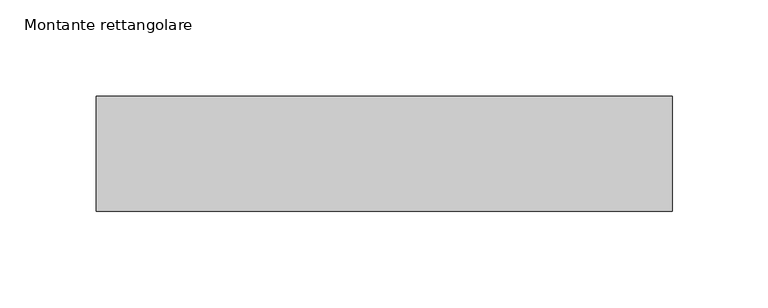
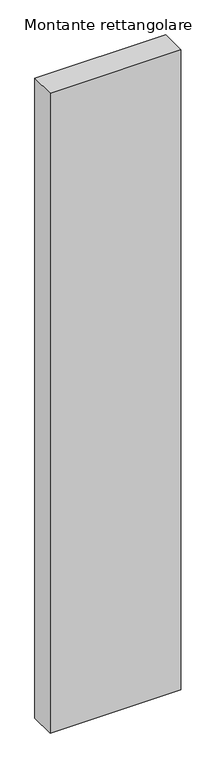
"""IFC4 building model written with IfcOpenShell, lengths in millimetres: member geometry, Montante rettangolare."""

from ifc_helpers import new_model, si_unit, frame, origin, place, context, project, spatial, polyline, outline, extrude, source, transform, mapped, element, save


def montante_rettangolare_47582378(model_context):
    return source(origin(), model_context, "Body", "SweptSolid", [
        extrude(outline(polyline([(150.0, 30.0), (150.0, -30.0), (-150.0, -30.0), (-150.0, 30.0), (150.0, 30.0)])), frame((0.0, 0.0, -1550.0), z_axis=(0.0, 0.0, 1.0), x_axis=(1.0, 0.0, 0.0)), (0.0, 0.0, 1.0), 1550.0),
    ])


if __name__ == "__main__":
    model = new_model("IFC4")
    model_context = context("Model", 3, world=origin())
    ifc_project = project(units=[si_unit("LENGTHUNIT", "METRE", prefix="MILLI")], contexts=[model_context])
    site = spatial("IfcSite", under=ifc_project)
    building = spatial("IfcBuilding", under=site)
    placement = place(None, origin())
    montante_rettangolare_shape = montante_rettangolare_47582378(model_context)
    element("IfcMember", 1, ObjectType="Montante rettangolare", at=placement, inside=building, context=model_context, shape_type="MappedRepresentation", body=[
        mapped(montante_rettangolare_shape, transform((0.0, 0.0, 0.0), x_axis=(1.0, 0.0, 0.0), y_axis=(0.0, 1.0, 0.0), z_axis=(0.0, 0.0, 1.0))),
    ])
    save(model, "model.ifc")
